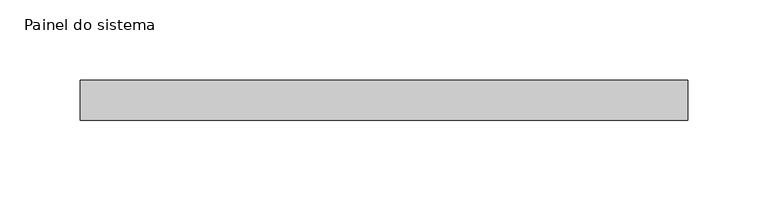
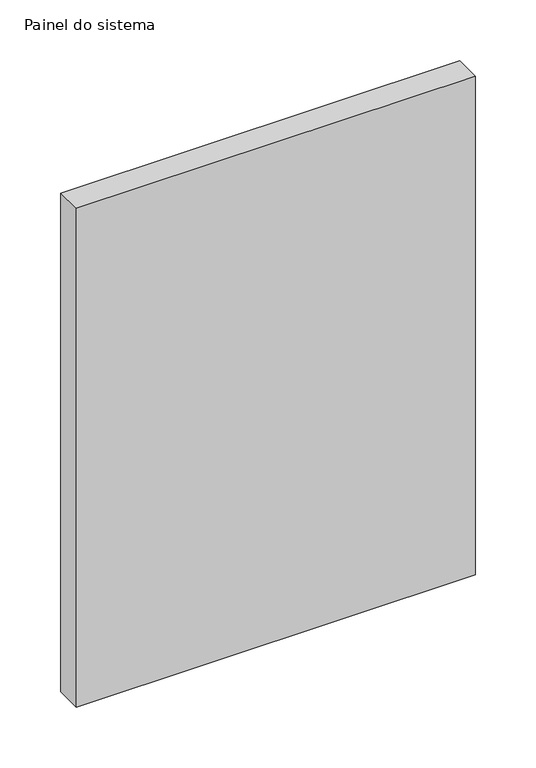
"""IFC4 building model written with IfcOpenShell, lengths in millimetres: plate geometry, Painel do sistema."""

from ifc_helpers import new_model, si_unit, origin, origin_with_axes, place, context, project, spatial, polyline, outline, extrude, source, transform, mapped, element, save


def painel_do_sistema_ba1f93a0(model_context):
    return source(origin(), model_context, "Body", "SweptSolid", [
        extrude(outline(polyline([(189.0818295, 24.5), (-189.0818295, 24.5), (-189.0818295, 49.5), (189.0818295, 49.5), (189.0818295, 24.5)])), origin_with_axes(), (0.0, 0.0, 1.0), 500.0),
    ])


if __name__ == "__main__":
    model = new_model("IFC4")
    model_context = context("Model", 3, world=origin())
    ifc_project = project(units=[si_unit("LENGTHUNIT", "METRE", prefix="MILLI")], contexts=[model_context])
    site = spatial("IfcSite", under=ifc_project)
    building = spatial("IfcBuilding", under=site)
    placement = place(None, origin())
    painel_do_sistema_shape = painel_do_sistema_ba1f93a0(model_context)
    element("IfcPlate", 1, ObjectType="Painel do sistema", at=placement, inside=building, context=model_context, shape_type="MappedRepresentation", body=[
        mapped(painel_do_sistema_shape, transform((0.0, 0.0, 0.0), x_axis=(1.0, 0.0, 0.0), y_axis=(0.0, 1.0, 0.0), z_axis=(0.0, 0.0, 1.0))),
    ])
    save(model, "model.ifc")
